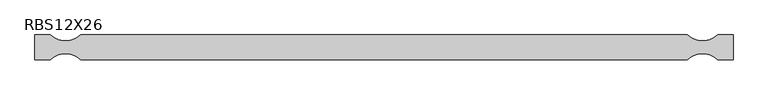
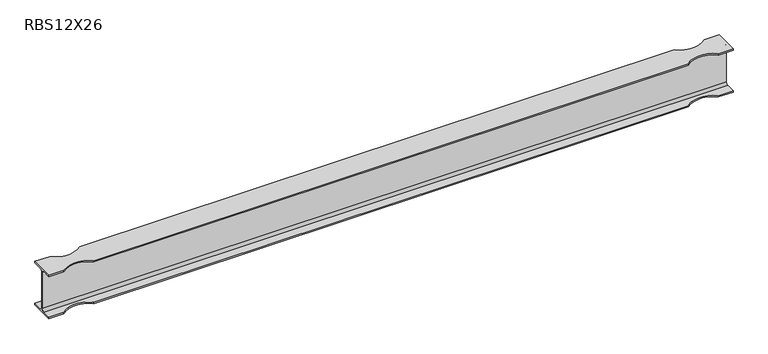
"""IFC4 building model written with IfcOpenShell, lengths in millimetres: beam geometry, RBS12X26."""

from ifc_helpers import new_model, si_unit, frame, origin, place, context, project, spatial, polyline, circle_curve, source, transform, mapped, element, save
from ifc_brep_helpers import plane_surface, revolved_surface, advanced_brep


def rbs12x26_f7ab3c0d(model_context):
    return source(origin(), model_context, "Body", "AdvancedBrep", [
        advanced_brep(
        [(2324.1, 82.4011719, -145.5539063), (2324.1, 20.2902344, -145.5539063), (2324.1, 2.9269531, -128.190625), (2324.1, 2.9269531, 128.190625), (2324.1, 20.2902344, 145.5539062), (2324.1, 82.4011719, 145.5539062), (2324.1, 82.4011719, 155.178125), (2324.1, -82.4011719, 155.178125), (2324.1, -82.4011719, 145.5539062), (2324.1, -20.2902344, 145.5539062), (2324.1, -2.9269531, 128.190625), (2324.1, -2.9269531, -128.190625), (2324.1, -20.2902344, -145.5539063), (2324.1, -82.4011719, -145.5539063), (2324.1, -82.4011719, -155.178125), (2324.1, 82.4011719, -155.178125), (-2324.1, 82.4011719, -145.5539063), (-2324.1, 82.4011719, -155.178125), (-2324.1, -82.4011719, -155.178125), (-2324.1, -82.4011719, -145.5539063), (-2324.1, -20.2902344, -145.5539063), (-2324.1, -2.9269531, -128.190625), (-2324.1, -2.9269531, 128.190625), (-2324.1, -20.2902344, 145.5539062), (-2324.1, -82.4011719, 145.5539062), (-2324.1, -82.4011719, 155.178125), (-2324.1, 82.4011719, 155.178125), (-2324.1, 82.4011719, 145.5539062), (-2324.1, 20.2902344, 145.5539062), (-2324.1, 2.9269531, 128.190625), (-2324.1, 2.9269531, -128.190625), (-2324.1, 20.2902344, -145.5539063), (2222.5, 82.4011719, -145.5539063), (2019.3, 82.4011719, -145.5539063), (-2019.3, 82.4011719, -145.5539063), (-2222.5, 82.4011719, -145.5539063), (-2222.5, 82.4011719, 145.5539062), (-2019.3, 82.4011719, 145.5539062), (2019.3, 82.4011719, 145.5539062), (2222.5, 82.4011719, 145.5539062), (2222.5, 82.4011719, 155.178125), (-2222.5, 82.4011719, 155.178125), (-2019.3, 82.4011719, 155.178125), (2019.3, 82.4011719, 155.178125), (-2222.5, -82.4011719, 155.178125), (-2019.3, -82.4011719, 155.178125), (2019.3, -82.4011719, 155.178125), (2222.5, -82.4011719, 155.178125), (2222.5, -82.4011719, 145.5539062), (-2222.5, -82.4011719, 145.5539062), (-2019.3, -82.4011719, 145.5539062), (2019.3, -82.4011719, 145.5539062), (-2222.5, -82.4011719, -145.5539063), (-2019.3, -82.4011719, -145.5539063), (2019.3, -82.4011719, -145.5539063), (2222.5, -82.4011719, -145.5539063), (2222.5, -82.4011719, -155.178125), (-2222.5, -82.4011719, -155.178125), (-2019.3, -82.4011719, -155.178125), (2019.3, -82.4011719, -155.178125), (-2222.5, 82.4011719, -155.178125), (-2019.3, 82.4011719, -155.178125), (2019.3, 82.4011719, -155.178125), (2222.5, 82.4011719, -155.178125)],
        [
            (0, 1),
            (1, 2, circle_curve(frame((2324.1, 20.2902344, -128.190625), z_axis=(-1.0, 0.0, 0.0), x_axis=(0.0, -1.0, 0.0)), 17.3632812)),
            (2, 3),
            (3, 4, circle_curve(frame((2324.1, 20.2902344, 128.190625), z_axis=(-1.0, 0.0, 0.0), x_axis=(0.0, -1.0, 0.0)), 17.3632812)),
            (4, 5),
            (5, 6),
            (6, 7),
            (7, 8),
            (8, 9),
            (9, 10, circle_curve(frame((2324.1, -20.2902344, 128.190625), z_axis=(-1.0, 0.0, 0.0), x_axis=(0.0, -1.0, 0.0)), 17.3632812)),
            (10, 11),
            (11, 12, circle_curve(frame((2324.1, -20.2902344, -128.190625), z_axis=(-1.0, 0.0, 0.0), x_axis=(0.0, -1.0, 0.0)), 17.3632812)),
            (12, 13),
            (13, 14),
            (14, 15),
            (15, 0),
            (16, 17),
            (17, 18),
            (18, 19),
            (19, 20),
            (20, 21, circle_curve(frame((-2324.1, -20.2902344, -128.190625), z_axis=(1.0, 0.0, 0.0), x_axis=(0.0, -1.0, 0.0)), 17.3632812)),
            (21, 22),
            (22, 23, circle_curve(frame((-2324.1, -20.2902344, 128.190625), z_axis=(1.0, 0.0, 0.0), x_axis=(0.0, -1.0, 0.0)), 17.3632812)),
            (23, 24),
            (24, 25),
            (25, 26),
            (26, 27),
            (27, 28),
            (28, 29, circle_curve(frame((-2324.1, 20.2902344, 128.190625), z_axis=(1.0, 0.0, 0.0), x_axis=(0.0, -1.0, 0.0)), 17.3632812)),
            (29, 30),
            (30, 31, circle_curve(frame((-2324.1, 20.2902344, -128.190625), z_axis=(1.0, 0.0, 0.0), x_axis=(0.0, -1.0, 0.0)), 17.3632812)),
            (31, 16),
            (0, 32),
            (32, 33, circle_curve(frame((2120.9, 195.9934251, -145.5539063), z_axis=(0.0, 0.0, -1.0), x_axis=(0.0, 1.0, 0.0)), 152.4)),
            (33, 34),
            (34, 35, circle_curve(frame((-2120.9, 195.9934251, -145.5539063), z_axis=(0.0, 0.0, -1.0), x_axis=(0.0, 1.0, 0.0)), 152.4)),
            (35, 16),
            (31, 1),
            (30, 2),
            (29, 3),
            (28, 4),
            (27, 36),
            (36, 37, circle_curve(frame((-2120.9, 195.9934251, 145.5539062), z_axis=(0.0, 0.0, 1.0), x_axis=(0.0, 1.0, 0.0)), 152.4)),
            (37, 38),
            (38, 39, circle_curve(frame((2120.9, 195.9934251, 145.5539062), z_axis=(0.0, 0.0, 1.0), x_axis=(0.0, 1.0, 0.0)), 152.4)),
            (39, 5),
            (39, 40),
            (40, 6),
            (26, 41),
            (41, 36),
            (37, 42),
            (42, 43),
            (43, 38),
            (40, 43, circle_curve(frame((2120.9, 195.9934251, 155.178125), z_axis=(0.0, 0.0, -1.0), x_axis=(0.0, 1.0, 0.0)), 152.4)),
            (42, 41, circle_curve(frame((-2120.9, 195.9934251, 155.178125), z_axis=(0.0, 0.0, -1.0), x_axis=(0.0, 1.0, 0.0)), 152.4)),
            (25, 44),
            (44, 45, circle_curve(frame((-2120.9, -195.9934251, 155.178125), z_axis=(0.0, 0.0, -1.0), x_axis=(0.0, 1.0, 0.0)), 152.4)),
            (45, 46),
            (46, 47, circle_curve(frame((2120.9, -195.9934251, 155.178125), z_axis=(0.0, 0.0, -1.0), x_axis=(0.0, 1.0, 0.0)), 152.4)),
            (47, 7),
            (47, 48),
            (48, 8),
            (24, 49),
            (49, 44),
            (45, 50),
            (50, 51),
            (51, 46),
            (48, 51, circle_curve(frame((2120.9, -195.9934251, 145.5539062), z_axis=(0.0, 0.0, 1.0), x_axis=(0.0, 1.0, 0.0)), 152.4)),
            (50, 49, circle_curve(frame((-2120.9, -195.9934251, 145.5539062), z_axis=(0.0, 0.0, 1.0), x_axis=(0.0, 1.0, 0.0)), 152.4)),
            (23, 9),
            (22, 10),
            (21, 11),
            (20, 12),
            (19, 52),
            (52, 53, circle_curve(frame((-2120.9, -195.9934251, -145.5539063), z_axis=(0.0, 0.0, -1.0), x_axis=(0.0, 1.0, 0.0)), 152.4)),
            (53, 54),
            (54, 55, circle_curve(frame((2120.9, -195.9934251, -145.5539063), z_axis=(0.0, 0.0, -1.0), x_axis=(0.0, 1.0, 0.0)), 152.4)),
            (55, 13),
            (55, 56),
            (56, 14),
            (18, 57),
            (57, 52),
            (53, 58),
            (58, 59),
            (59, 54),
            (56, 59, circle_curve(frame((2120.9, -195.9934251, -155.178125), z_axis=(0.0, 0.0, 1.0), x_axis=(0.0, 1.0, 0.0)), 152.4)),
            (58, 57, circle_curve(frame((-2120.9, -195.9934251, -155.178125), z_axis=(0.0, 0.0, 1.0), x_axis=(0.0, 1.0, 0.0)), 152.4)),
            (17, 60),
            (60, 61, circle_curve(frame((-2120.9, 195.9934251, -155.178125), z_axis=(0.0, 0.0, 1.0), x_axis=(0.0, 1.0, 0.0)), 152.4)),
            (61, 62),
            (62, 63, circle_curve(frame((2120.9, 195.9934251, -155.178125), z_axis=(0.0, 0.0, 1.0), x_axis=(0.0, 1.0, 0.0)), 152.4)),
            (63, 15),
            (63, 32),
            (35, 60),
            (61, 34),
            (33, 62),
        ],
        [
            plane_surface(frame((2324.1, 0.0, 0.0), z_axis=(1.0, 0.0, 0.0), x_axis=(0.0, 0.0, 1.0))),
            plane_surface(frame((-2324.1, 0.0, 0.0), z_axis=(-1.0, 0.0, 0.0), x_axis=(0.0, 0.0, 1.0))),
            plane_surface(frame((2324.1, 82.4011719, -145.5539063), z_axis=(0.0, 0.0, 1.0), x_axis=(-1.0, 0.0, 0.0))),
            revolved_surface(polyline([(-2324.1, 2.9269532, -128.190625), (2324.1, 2.9269532, -128.190625)]), (2324.1, 20.2902344, -128.190625), (-1.0, 0.0, 0.0)),
            plane_surface(frame((2324.1, 2.9269531, -128.190625), z_axis=(0.0, 1.0, 0.0), x_axis=(-1.0, 0.0, 0.0))),
            revolved_surface(polyline([(-2324.1, 2.9269532, 128.190625), (2324.1, 2.9269532, 128.190625)]), (2324.1, 20.2902344, 128.190625), (-1.0, 0.0, 0.0)),
            plane_surface(frame((2324.1, 20.2902344, 145.5539062), z_axis=(0.0, 0.0, -1.0), x_axis=(-1.0, 0.0, 0.0))),
            plane_surface(frame((2324.1, 82.4011719, 145.5539062), z_axis=(0.0, 1.0, 0.0), x_axis=(-1.0, 0.0, 0.0))),
            plane_surface(frame((2324.1, 82.4011719, 155.178125), z_axis=(0.0, 0.0, 1.0), x_axis=(-1.0, 0.0, 0.0))),
            plane_surface(frame((2324.1, -82.4011719, 155.178125), z_axis=(0.0, -1.0, 0.0), x_axis=(-1.0, 0.0, 0.0))),
            plane_surface(frame((2324.1, -82.4011719, 145.5539062), z_axis=(0.0, 0.0, -1.0), x_axis=(-1.0, 0.0, 0.0))),
            revolved_surface(polyline([(-2324.1, -37.6535156, 128.190625), (2324.1, -37.6535156, 128.190625)]), (2324.1, -20.2902344, 128.190625), (-1.0, 0.0, 0.0)),
            plane_surface(frame((2324.1, -2.9269531, 128.190625), z_axis=(0.0, -1.0, 0.0), x_axis=(-1.0, 0.0, 0.0))),
            revolved_surface(polyline([(-2324.1, -37.6535156, -128.190625), (2324.1, -37.6535156, -128.190625)]), (2324.1, -20.2902344, -128.190625), (-1.0, 0.0, 0.0)),
            plane_surface(frame((2324.1, -20.2902344, -145.5539063), z_axis=(0.0, 0.0, 1.0), x_axis=(-1.0, 0.0, 0.0))),
            plane_surface(frame((2324.1, -82.4011719, -145.5539063), z_axis=(0.0, -1.0, 0.0), x_axis=(-1.0, 0.0, 0.0))),
            plane_surface(frame((2324.1, -82.4011719, -155.178125), z_axis=(0.0, 0.0, -1.0), x_axis=(-1.0, 0.0, 0.0))),
            plane_surface(frame((2324.1, 82.4011719, -155.178125), z_axis=(0.0, 1.0, 0.0), x_axis=(-1.0, 0.0, 0.0))),
            revolved_surface(polyline([(-2120.9, -43.59342509999999, 155.178125), (-2120.9, -43.59342509999999, 145.5539062)]), (-2120.9, -195.9934251, -155.178125), (0.0, 0.0, 1.0)),
            revolved_surface(polyline([(-2120.9, -43.59342509999999, -145.5539063), (-2120.9, -43.59342509999999, -155.178125)]), (-2120.9, -195.9934251, -155.178125), (0.0, 0.0, 1.0)),
            revolved_surface(polyline([(-2120.9, 348.3934251, -145.5539063), (-2120.9, 348.3934251, -155.178125)]), (-2120.9, 195.9934251, -155.178125), (0.0, 0.0, 1.0)),
            revolved_surface(polyline([(-2120.9, 348.3934251, 155.178125), (-2120.9, 348.3934251, 145.5539062)]), (-2120.9, 195.9934251, -155.178125), (0.0, 0.0, 1.0)),
            revolved_surface(polyline([(2120.9, -43.59342509999999, 155.178125), (2120.9, -43.59342509999999, 145.5539062)]), (2120.9, -195.9934251, -155.178125), (0.0, 0.0, 1.0)),
            revolved_surface(polyline([(2120.9, -43.59342509999999, -145.5539063), (2120.9, -43.59342509999999, -155.178125)]), (2120.9, -195.9934251, -155.178125), (0.0, 0.0, 1.0)),
            revolved_surface(polyline([(2120.9, 348.3934251, -145.5539063), (2120.9, 348.3934251, -155.178125)]), (2120.9, 195.9934251, -155.178125), (0.0, 0.0, 1.0)),
            revolved_surface(polyline([(2120.9, 348.3934251, 155.178125), (2120.9, 348.3934251, 145.5539062)]), (2120.9, 195.9934251, -155.178125), (0.0, 0.0, 1.0)),
        ],
        [
            (0, [[1, 2, 3, 4, 5, 6, 7, 8, 9, 10, 11, 12, 13, 14, 15, 16]]),
            (1, [[17, 18, 19, 20, 21, 22, 23, 24, 25, 26, 27, 28, 29, 30, 31, 32]]),
            (2, [[-1, 33, 34, 35, 36, 37, -32, 38]]),
            (3, [[-2, -38, -31, 39]]),
            (4, [[-3, -39, -30, 40]]),
            (5, [[-4, -40, -29, 41]]),
            (6, [[-5, -41, -28, 42, 43, 44, 45, 46]]),
            (7, [[-6, -46, 47, 48]]),
            (7, [[-27, 49, 50, -42]]),
            (7, [[51, 52, 53, -44]]),
            (8, [[-7, -48, 54, -52, 55, -49, -26, 56, 57, 58, 59, 60]]),
            (9, [[-8, -60, 61, 62]]),
            (9, [[-25, 63, 64, -56]]),
            (9, [[65, 66, 67, -58]]),
            (10, [[-9, -62, 68, -66, 69, -63, -24, 70]]),
            (11, [[-10, -70, -23, 71]]),
            (12, [[-11, -71, -22, 72]]),
            (13, [[-12, -72, -21, 73]]),
            (14, [[-13, -73, -20, 74, 75, 76, 77, 78]]),
            (15, [[-14, -78, 79, 80]]),
            (15, [[-19, 81, 82, -74]]),
            (15, [[83, 84, 85, -76]]),
            (16, [[-15, -80, 86, -84, 87, -81, -18, 88, 89, 90, 91, 92]]),
            (17, [[-16, -92, 93, -33]]),
            (17, [[-17, -37, 94, -88]]),
            (17, [[95, -35, 96, -90]]),
            (18, [[-57, -64, -69, -65]]),
            (19, [[-75, -82, -87, -83]]),
            (20, [[-36, -95, -89, -94]]),
            (21, [[-43, -50, -55, -51]]),
            (22, [[-59, -67, -68, -61]]),
            (23, [[-77, -85, -86, -79]]),
            (24, [[-34, -93, -91, -96]]),
            (25, [[-45, -53, -54, -47]]),
        ],
    ),
    ])


if __name__ == "__main__":
    model = new_model("IFC4")
    model_context = context("Model", 3, world=origin())
    ifc_project = project(units=[si_unit("LENGTHUNIT", "METRE", prefix="MILLI")], contexts=[model_context])
    site = spatial("IfcSite", under=ifc_project)
    building = spatial("IfcBuilding", under=site)
    placement = place(None, origin())
    rbs12x26_shape = rbs12x26_f7ab3c0d(model_context)
    element("IfcBeam", 1, ObjectType="RBS12X26", at=placement, inside=building, context=model_context, shape_type="MappedRepresentation", body=[
        mapped(rbs12x26_shape, transform((0.0, 0.0, 0.0), x_axis=(1.0, 0.0, 0.0), y_axis=(0.0, 1.0, 0.0), z_axis=(0.0, 0.0, 1.0))),
    ])
    save(model, "model.ifc")
